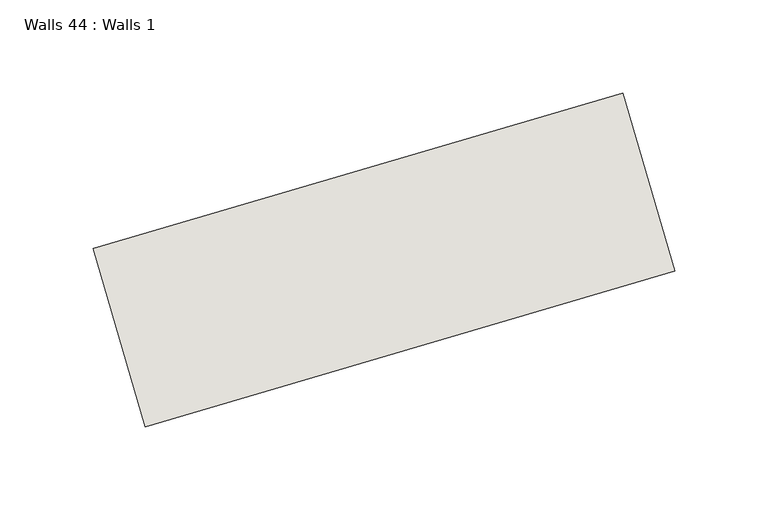
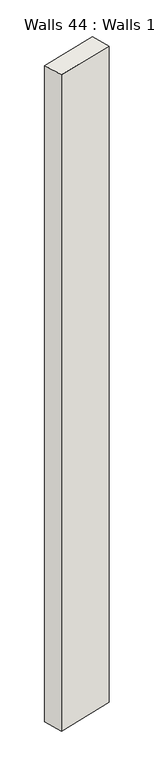
"""IFC4 building model written with IfcOpenShell, lengths in millimetres: wall geometry, Walls 44 : Walls 1."""

from ifc_helpers import new_model, si_unit, origin, origin_with_axes, place, context, project, spatial, polyline, outline, extrude, source, transform, mapped, element, save


def walls_44_walls_1_94d332d4(model_context):
    return source(origin(), model_context, "Body", "SweptSolid", [
        extrude(outline(polyline([(12195.6364028, -3901.4397085), (12480.3141731, -3817.734826), (12508.5234005, -3913.6735538), (12223.8456301, -3997.3784363), (12195.6364028, -3901.4397085)])), origin_with_axes(), (0.0, 0.0, 1.0), 3429.6435935),
    ])


if __name__ == "__main__":
    model = new_model("IFC4")
    model_context = context("Model", 3, world=origin())
    ifc_project = project(units=[si_unit("LENGTHUNIT", "METRE", prefix="MILLI")], contexts=[model_context])
    site = spatial("IfcSite", under=ifc_project)
    building = spatial("IfcBuilding", under=site)
    placement = place(None, origin())
    walls_44_walls_1_shape = walls_44_walls_1_94d332d4(model_context)
    element("IfcWall", 1, ObjectType="Walls 44 : Walls 1", at=placement, inside=building, context=model_context, shape_type="MappedRepresentation", body=[
        mapped(walls_44_walls_1_shape, transform((0.0, 0.0, 0.0), x_axis=(1.0, 0.0, 0.0), y_axis=(0.0, 1.0, 0.0), z_axis=(0.0, 0.0, 1.0))),
    ])
    save(model, "model.ifc")
